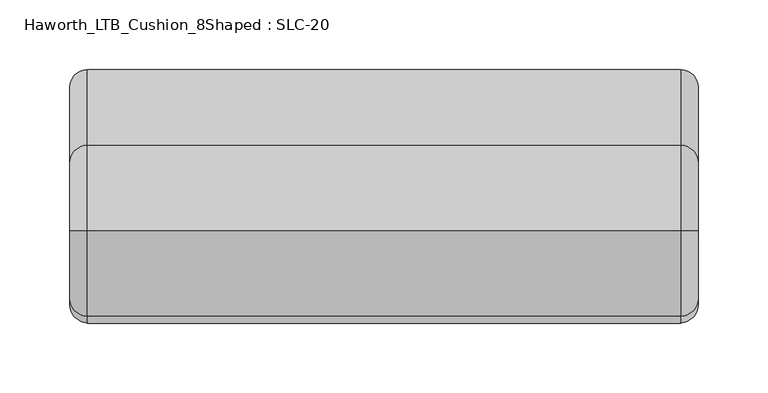
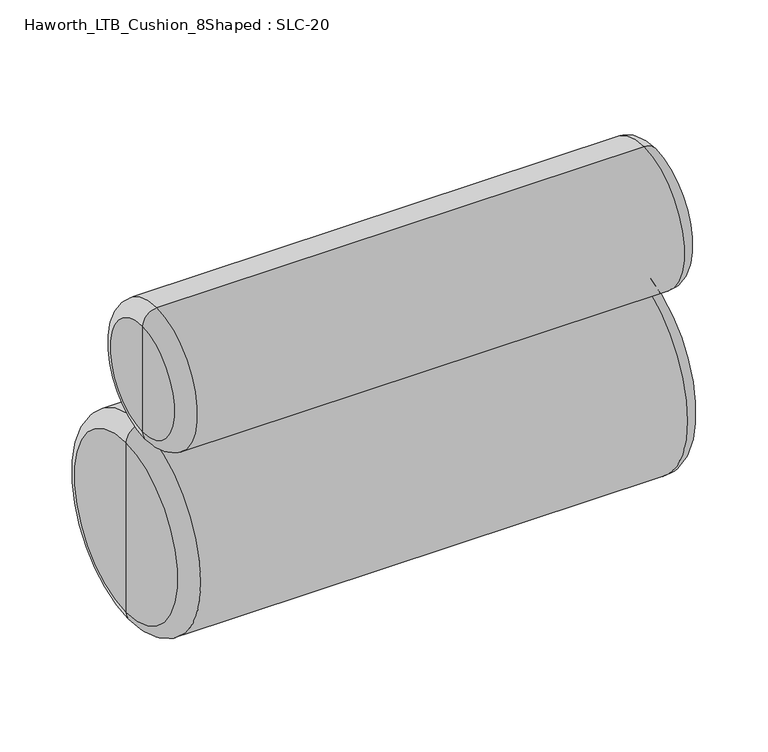
"""IFC4 building model written with IfcOpenShell, lengths in millimetres: furniture geometry, Haworth_LTB_Cushion_8Shaped : SLC-20."""

from ifc_helpers import new_model, si_unit, point, frame, origin, place, context, project, spatial, circle_curve, ellipse_curve, trimmed, source, transform, mapped, element, save
from ifc_brep_helpers import plane_surface, cylinder_surface, revolved_surface, advanced_brep


def haworth_ltb_cushion_8shaped_slc_20_34f9b9e6(model_context):
    return source(origin(), model_context, "Body", "AdvancedBrep", [
        advanced_brep(
        [(260.35, -3.6890743, 435.7663927), (260.35, -3.6890743, 618.3336073), (685.8, -3.6890743, 618.3336073), (685.8, -3.6890743, 435.7663927), (247.65, -3.6890743, 448.4663927), (247.65, -3.6890743, 605.6336073), (247.65, -3.6890743, 527.05), (698.5, -3.6890743, 448.4663927), (698.5, -3.6890743, 605.6336073), (698.5, -3.6890743, 527.05)],
        [
            (0, 1, circle_curve(frame((260.35, -3.6890743, 527.05), z_axis=(1.0, 0.0, 0.0), x_axis=(0.0, 0.0, 1.0)), 91.2836073)),
            (1, 2),
            (2, 3, circle_curve(frame((685.8, -3.6890743, 527.05), z_axis=(-1.0, 0.0, 0.0), x_axis=(0.0, 0.0, 1.0)), 91.2836073)),
            (3, 0),
            (1, 0, circle_curve(frame((260.35, -3.6890743, 527.05), z_axis=(1.0, 0.0, 0.0), x_axis=(0.0, 0.0, 1.0)), 91.2836073)),
            (3, 2, circle_curve(frame((685.8, -3.6890743, 527.05), z_axis=(-1.0, 0.0, 0.0), x_axis=(0.0, 0.0, 1.0)), 91.2836073)),
            (4, 5, circle_curve(frame((247.65, -3.6890743, 527.05), z_axis=(1.0, 0.0, 0.0), x_axis=(0.0, 0.0, 1.0)), 78.5836073)),
            (5, 1, circle_curve(frame((260.35, -3.6890743, 605.6336073), z_axis=(0.0, 1.0, 0.0), x_axis=(1.0, 0.0, 0.0)), 12.7)),
            (0, 4, circle_curve(frame((260.35, -3.6890743, 448.4663927), z_axis=(0.0, 1.0, 0.0), x_axis=(1.0, 0.0, 0.0)), 12.7)),
            (5, 4, circle_curve(frame((247.65, -3.6890743, 527.05), z_axis=(1.0, 0.0, 0.0), x_axis=(0.0, 0.0, 1.0)), 78.5836073)),
            (6, 5),
            (4, 6),
            (7, 8, circle_curve(frame((698.5, -3.6890743, 527.05), z_axis=(1.0, 0.0, 0.0), x_axis=(0.0, 0.0, 1.0)), 78.5836073)),
            (8, 9),
            (9, 7),
            (8, 7, circle_curve(frame((698.5, -3.6890743, 527.05), z_axis=(1.0, 0.0, 0.0), x_axis=(0.0, 0.0, 1.0)), 78.5836073)),
            (2, 8, circle_curve(frame((685.8, -3.6890743, 605.6336073), z_axis=(0.0, 1.0, 0.0), x_axis=(1.0, 0.0, 0.0)), 12.7)),
            (7, 3, circle_curve(frame((685.8, -3.6890743, 448.4663927), z_axis=(0.0, 1.0, 0.0), x_axis=(1.0, 0.0, 0.0)), 12.7)),
        ],
        [
            cylinder_surface(frame((-2062.6304711, -3.6890743, 527.05), z_axis=(-1.0, 0.0, 0.0), x_axis=(0.0, 0.0, 1.0)), 91.2836073),
            revolved_surface(trimmed(ellipse_curve(frame((260.35, -3.6890743, 605.6336073), z_axis=(0.0, -1.0, 0.0), x_axis=(1.0, 0.0, 0.0)), 12.7, 12.7), [point((260.35, -3.6890743, 618.3336073))], [point((247.65, -3.6890743, 605.6336073))], True, "CARTESIAN"), (-2062.6304711, -3.6890743, 527.05), (-1.0, 0.0, 0.0)),
            plane_surface(frame((247.65, -3.6890743, 527.05), z_axis=(-1.0, 0.0, 0.0), x_axis=(0.0, 0.0, 1.0))),
            plane_surface(frame((698.5, -3.6890743, 527.05), z_axis=(1.0, 0.0, 0.0), x_axis=(0.0, 0.0, 1.0))),
            revolved_surface(trimmed(ellipse_curve(frame((685.8, -3.6890743, 605.6336073), z_axis=(0.0, -1.0, 0.0), x_axis=(1.0, 0.0, 0.0)), 12.7, 12.7), [point((698.5, -3.6890743, 605.6336073))], [point((685.8, -3.6890743, 618.3336073))], True, "CARTESIAN"), (-2062.6304711, -3.6890743, 527.05), (-1.0, 0.0, 0.0)),
        ],
        [
            (0, [[1, 2, 3, 4]]),
            (0, [[5, -4, 6, -2]]),
            (1, [[7, 8, -1, 9]]),
            (1, [[10, -9, -5, -8]]),
            (2, [[11, -7, 12]]),
            (2, [[-12, -10, -11]]),
            (3, [[13, 14, 15]]),
            (3, [[16, -15, -14]]),
            (4, [[-3, 17, -13, 18]]),
            (4, [[-6, -18, -16, -17]]),
        ],
    ),
        advanced_brep(
        [(260.35, -28.5806578, 617.6108304), (260.35, -28.5806578, 740.8205779), (685.8, -28.5806578, 740.8205779), (685.8, -28.5806578, 617.6108304), (247.65, -28.5806578, 630.3108304), (247.65, -28.5806578, 728.1205779), (247.65, -28.5806578, 679.2157042), (698.5, -28.5806578, 630.3108304), (698.5, -28.5806578, 728.1205779), (698.5, -28.5806578, 679.2157042)],
        [
            (0, 1, circle_curve(frame((260.35, -28.5806578, 679.2157042), z_axis=(1.0, 0.0, 0.0), x_axis=(0.0, 0.0, 1.0)), 61.6048738)),
            (1, 2),
            (2, 3, circle_curve(frame((685.8, -28.5806578, 679.2157042), z_axis=(-1.0, 0.0, 0.0), x_axis=(0.0, 0.0, 1.0)), 61.6048738)),
            (3, 0),
            (1, 0, circle_curve(frame((260.35, -28.5806578, 679.2157042), z_axis=(1.0, 0.0, 0.0), x_axis=(0.0, 0.0, 1.0)), 61.6048738)),
            (3, 2, circle_curve(frame((685.8, -28.5806578, 679.2157042), z_axis=(-1.0, 0.0, 0.0), x_axis=(0.0, 0.0, 1.0)), 61.6048738)),
            (4, 5, circle_curve(frame((247.65, -28.5806578, 679.2157042), z_axis=(1.0, 0.0, 0.0), x_axis=(0.0, 0.0, 1.0)), 48.9048738)),
            (5, 1, circle_curve(frame((260.35, -28.5806578, 728.1205779), z_axis=(0.0, 1.0, 0.0), x_axis=(0.0, 0.0, -1.0)), 12.7)),
            (0, 4, circle_curve(frame((260.35, -28.5806578, 630.3108304), z_axis=(0.0, 1.0, 0.0), x_axis=(0.0, 0.0, 1.0)), 12.7)),
            (5, 4, circle_curve(frame((247.65, -28.5806578, 679.2157042), z_axis=(1.0, 0.0, 0.0), x_axis=(0.0, 0.0, 1.0)), 48.9048738)),
            (6, 5),
            (4, 6),
            (7, 8, circle_curve(frame((698.5, -28.5806578, 679.2157042), z_axis=(1.0, 0.0, 0.0), x_axis=(0.0, 0.0, 1.0)), 48.9048738)),
            (8, 9),
            (9, 7),
            (8, 7, circle_curve(frame((698.5, -28.5806578, 679.2157042), z_axis=(1.0, 0.0, 0.0), x_axis=(0.0, 0.0, 1.0)), 48.9048738)),
            (2, 8, circle_curve(frame((685.8, -28.5806578, 728.1205779), z_axis=(0.0, 1.0, 0.0), x_axis=(0.0, 0.0, -1.0)), 12.7)),
            (7, 3, circle_curve(frame((685.8, -28.5806578, 630.3108304), z_axis=(0.0, 1.0, 0.0), x_axis=(0.0, 0.0, 1.0)), 12.7)),
        ],
        [
            cylinder_surface(frame((-2062.6304711, -28.5806578, 679.2157042), z_axis=(-1.0, 0.0, 0.0), x_axis=(0.0, 0.0, 1.0)), 61.6048738),
            revolved_surface(trimmed(ellipse_curve(frame((260.35, -28.5806578, 728.1205779), z_axis=(0.0, -1.0, 0.0), x_axis=(0.0, 0.0, -1.0)), 12.7, 12.7), [point((260.35, -28.5806578, 740.8205779))], [point((247.65, -28.5806578, 728.1205779))], True, "CARTESIAN"), (-2062.6304711, -28.5806578, 679.2157042), (-1.0, 0.0, 0.0)),
            plane_surface(frame((247.65, -28.5806578, 679.2157042), z_axis=(-1.0, 0.0, 0.0), x_axis=(0.0, 0.0, 1.0))),
            plane_surface(frame((698.5, -28.5806578, 679.2157042), z_axis=(1.0, 0.0, 0.0), x_axis=(0.0, 0.0, 1.0))),
            revolved_surface(trimmed(ellipse_curve(frame((685.8, -28.5806578, 728.1205779), z_axis=(0.0, -1.0, 0.0), x_axis=(0.0, 0.0, -1.0)), 12.7, 12.7), [point((698.5, -28.5806578, 728.1205779))], [point((685.8, -28.5806578, 740.8205779))], True, "CARTESIAN"), (-2062.6304711, -28.5806578, 679.2157042), (-1.0, 0.0, 0.0)),
        ],
        [
            (0, [[1, 2, 3, 4]]),
            (0, [[5, -4, 6, -2]]),
            (1, [[7, 8, -1, 9]]),
            (1, [[10, -9, -5, -8]]),
            (2, [[11, -7, 12]]),
            (2, [[-12, -10, -11]]),
            (3, [[13, 14, 15]]),
            (3, [[16, -15, -14]]),
            (4, [[-3, 17, -13, 18]]),
            (4, [[-6, -18, -16, -17]]),
        ],
    ),
    ])


if __name__ == "__main__":
    model = new_model("IFC4")
    model_context = context("Model", 3, world=origin())
    ifc_project = project(units=[si_unit("LENGTHUNIT", "METRE", prefix="MILLI")], contexts=[model_context])
    site = spatial("IfcSite", under=ifc_project)
    building = spatial("IfcBuilding", under=site)
    placement = place(None, origin())
    haworth_ltb_cushion_8shaped_slc_20_shape = haworth_ltb_cushion_8shaped_slc_20_34f9b9e6(model_context)
    element("IfcFurniture", 1, ObjectType="Haworth_LTB_Cushion_8Shaped : SLC-20", at=placement, inside=building, context=model_context, shape_type="MappedRepresentation", body=[
        mapped(haworth_ltb_cushion_8shaped_slc_20_shape, transform((0.0, 0.0, 0.0), x_axis=(1.0, 0.0, 0.0), y_axis=(0.0, 1.0, 0.0), z_axis=(0.0, 0.0, 1.0))),
    ])
    save(model, "model.ifc")
